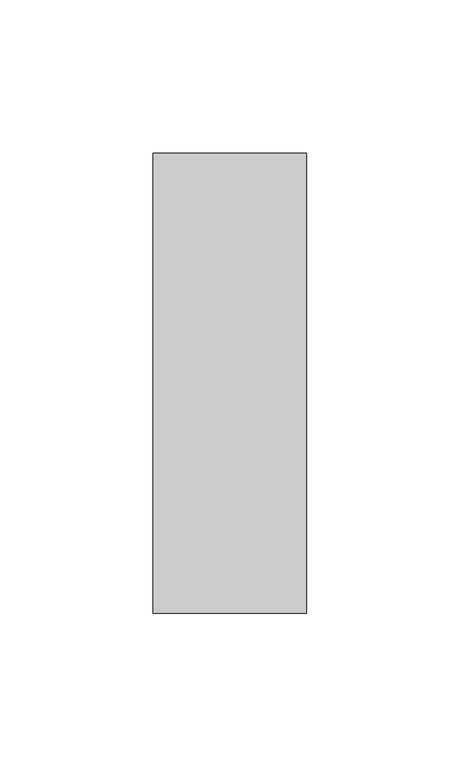
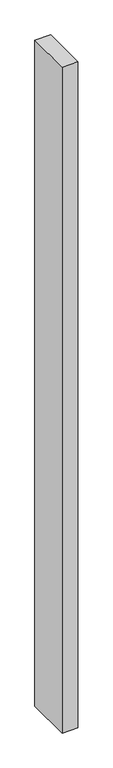
"""IFC4 building model written with IfcOpenShell, lengths in millimetres: member geometry."""

from ifc_helpers import new_model, si_unit, frame, origin, place, context, project, spatial, polyline, outline, extrude, source, transform, mapped, element, save


def member_be3fdc0c(model_context):
    return source(origin(), model_context, "Body", "SweptSolid", [
        extrude(outline(polyline([(25.0, 75.0), (25.0, -75.0), (-25.0, -75.0), (-25.0, 75.0), (25.0, 75.0)])), frame((0.0, 0.0, -2240.0), z_axis=(0.0, 0.0, 1.0), x_axis=(1.0, 0.0, 0.0)), (0.0, 0.0, 1.0), 2240.0),
    ])


if __name__ == "__main__":
    model = new_model("IFC4")
    model_context = context("Model", 3, world=origin())
    ifc_project = project(units=[si_unit("LENGTHUNIT", "METRE", prefix="MILLI")], contexts=[model_context])
    site = spatial("IfcSite", under=ifc_project)
    building = spatial("IfcBuilding", under=site)
    placement = place(None, origin())
    member_shape = member_be3fdc0c(model_context)
    element("IfcMember", 1, at=placement, inside=building, context=model_context, shape_type="MappedRepresentation", body=[
        mapped(member_shape, transform((0.0, 0.0, 0.0), x_axis=(1.0, 0.0, 0.0), y_axis=(0.0, 1.0, 0.0), z_axis=(0.0, 0.0, 1.0))),
    ])
    save(model, "model.ifc")
